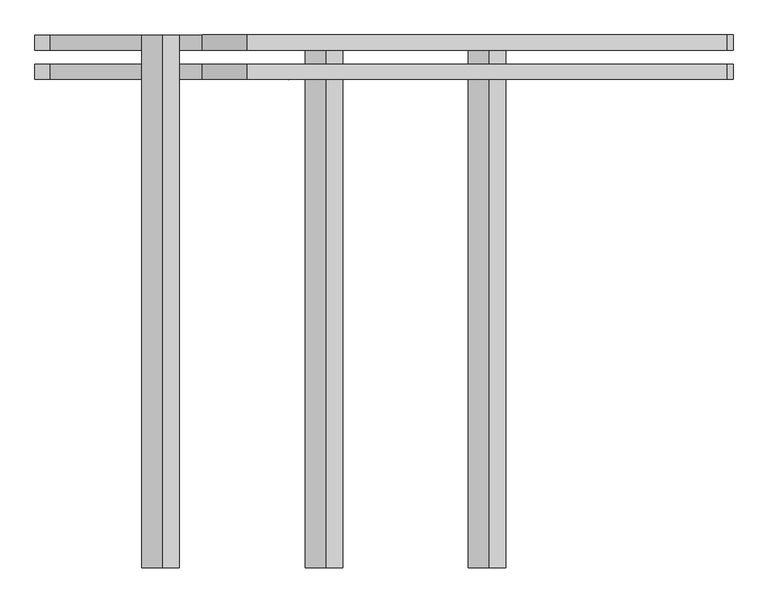
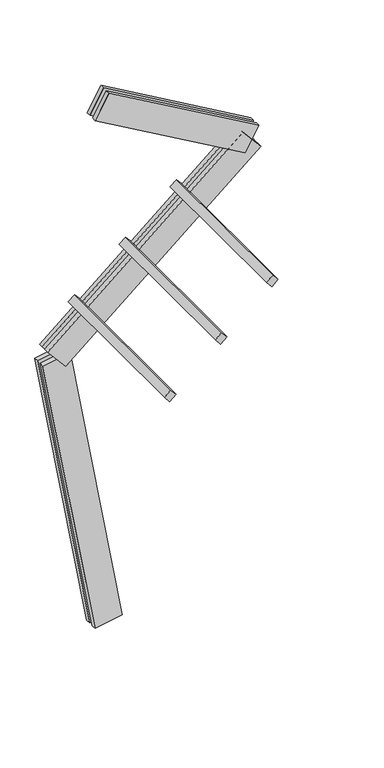
"""IFC4 building model written with IfcOpenShell, lengths in millimetres: proxy geometry."""

import ifcopenshell
import ifcopenshell.guid

model = None  # the IFC model being written
_history = None  # IfcOwnerHistory: only IFC2X3 demands one
_inside = {}  # id of a spatial element -> (the spatial element, [elements in it])
_under = {}  # id of a project, library or spatial element -> (it, [spatial elements below it])
_declared = {}  # id of a project -> (the project, [libraries it declares])
_typed = {}  # id of a type object -> (the type object, [elements of that type])
_made_of = {}  # id of a material, layer set ... -> (it, [elements and type objects made of it])


def new_model(schema):
    """Start an empty IFC model of exactly this schema.

    Asked for "IFC4X3", IfcOpenShell would pick the latest addendum, in which some entities
    have other attributes; the version numbers below select the first issue.
    IFC2X3 requires an IfcOwnerHistory on every rooted entity: one is made here for all.
    """
    global model, _history
    if schema == "IFC4X3":
        model = ifcopenshell.file(schema_version=(4, 3, 0, 0))
    else:
        model = ifcopenshell.file(schema=schema)
    _inside.clear()
    _under.clear()
    _declared.clear()
    _typed.clear()
    _made_of.clear()
    _history = None
    if model.schema == "IFC2X3":
        org = make("IfcOrganization", Name="unknown")
        user = make(
            "IfcPersonAndOrganization",
            ThePerson=make("IfcPerson", FamilyName="unknown"),
            TheOrganization=org,
        )
        app = make(
            "IfcApplication",
            ApplicationDeveloper=org,
            Version="unknown",
            ApplicationFullName="unknown",
            ApplicationIdentifier="unknown",
        )
        _history = make(
            "IfcOwnerHistory",
            OwningUser=user,
            OwningApplication=app,
            ChangeAction="ADDED",
            CreationDate=0,
        )
    return model


def make(cls, **values):
    """One entity of the class cls with the attributes given. An attribute that is None is left unset."""
    return model.create_entity(
        cls, **{name: value for name, value in values.items() if value is not None}
    )


def rooted(cls, **values):
    """An entity with a GlobalId (a new one), such as an element, a storey or a relation."""
    return make(cls, GlobalId=ifcopenshell.guid.new(), OwnerHistory=_history, **values)


def si_unit(unit_type, name, prefix=None):
    """IfcSIUnit, for example si_unit("LENGTHUNIT", "METRE", prefix="MILLI")."""
    return make("IfcSIUnit", UnitType=unit_type, Prefix=prefix, Name=name)


def assignment(units):
    """IfcUnitAssignment: the units of a project."""
    return None if units is None else make("IfcUnitAssignment", Units=units)


def point(xyz):
    """IfcCartesianPoint."""
    return None if xyz is None else make("IfcCartesianPoint", Coordinates=xyz)


def direction(xyz):
    """IfcDirection."""
    return None if xyz is None else make("IfcDirection", DirectionRatios=xyz)


def frame(location, z_axis=None, x_axis=None):
    """IfcAxis2Placement3D, a coordinate frame: its origin and axes. An axis left out is left unset."""
    return make(
        "IfcAxis2Placement3D",
        Location=point(location),
        Axis=direction(z_axis),
        RefDirection=direction(x_axis),
    )


def origin():
    """The frame at (0, 0, 0) with its axes left unset."""
    return frame((0.0, 0.0, 0.0))


def place(relative_to, where):
    """IfcLocalPlacement: puts the frame where relative to a parent placement (None: the world)."""
    return make(
        "IfcLocalPlacement", PlacementRelTo=relative_to, RelativePlacement=where
    )


def context(
    kind, dimensions, precision=None, world=None, true_north=None, identifier=None
):
    """IfcGeometricRepresentationContext, for example the 3D "Model" context."""
    return make(
        "IfcGeometricRepresentationContext",
        ContextIdentifier=identifier,
        ContextType=kind,
        CoordinateSpaceDimension=dimensions,
        Precision=precision,
        WorldCoordinateSystem=world,
        TrueNorth=true_north,
    )


def project(units=None, contexts=None):
    """IfcProject with its units and contexts."""
    return rooted(
        "IfcProject",
        Name="project",
        RepresentationContexts=contexts,
        UnitsInContext=assignment(units),
    )


def spatial(cls, under=None, at=None, **own):
    """A site, building, storey or space (cls), placed at a placement, below another one or the project."""
    s = rooted(cls, ObjectPlacement=at, **own)
    if under is not None:
        _under.setdefault(under.id(), (under, []))[1].append(s)
    return s


def polyline(points):
    """IfcPolyline through the points."""
    return make("IfcPolyline", Points=[point(p) for p in points])


def outline(outer, holes=None, kind="AREA"):
    """IfcArbitraryClosedProfileDef: a profile drawn as a closed curve; with holes, ...WithVoids."""
    if holes is None:
        return make("IfcArbitraryClosedProfileDef", ProfileType=kind, OuterCurve=outer)
    return make(
        "IfcArbitraryProfileDefWithVoids",
        ProfileType=kind,
        OuterCurve=outer,
        InnerCurves=holes,
    )


def extrude(swept, where, along, depth):
    """IfcExtrudedAreaSolid: the profile swept, set in the frame where, extruded along a direction by depth."""
    return make(
        "IfcExtrudedAreaSolid",
        SweptArea=swept,
        Position=where,
        ExtrudedDirection=direction(along),
        Depth=depth,
    )


def shape(context_of_items, identifier, shape_type, items):
    """IfcShapeRepresentation: the items that make up one representation, for example the "Body"."""
    return make(
        "IfcShapeRepresentation",
        ContextOfItems=context_of_items,
        RepresentationIdentifier=identifier,
        RepresentationType=shape_type,
        Items=items,
    )


def source(mapping_origin, context_of_items, identifier, shape_type, items):
    """IfcRepresentationMap: a shape defined once, which mapped items show again and again."""
    return make(
        "IfcRepresentationMap",
        MappingOrigin=mapping_origin,
        MappedRepresentation=shape(context_of_items, identifier, shape_type, items),
    )


def transform(
    local_origin,
    x_axis=None,
    y_axis=None,
    z_axis=None,
    scale=None,
    scale2=None,
    scale3=None,
    uniform=True,
):
    """IfcCartesianTransformationOperator3D, or its non-uniform kind. x_axis, y_axis, z_axis: its Axis1, 2, 3."""
    if uniform:
        return make(
            "IfcCartesianTransformationOperator3D",
            Axis1=direction(x_axis),
            Axis2=direction(y_axis),
            LocalOrigin=point(local_origin),
            Scale=scale,
            Axis3=direction(z_axis),
        )
    return make(
        "IfcCartesianTransformationOperator3DnonUniform",
        Axis1=direction(x_axis),
        Axis2=direction(y_axis),
        LocalOrigin=point(local_origin),
        Scale=scale,
        Axis3=direction(z_axis),
        Scale2=scale2,
        Scale3=scale3,
    )


def mapped(mapping_source, mapping_target):
    """IfcMappedItem: shows the shape of a source again, moved by a transform."""
    return make(
        "IfcMappedItem", MappingSource=mapping_source, MappingTarget=mapping_target
    )


def made_of(thing, what):
    """Note that an element or type object is made of a material, layer set ...; save() writes the relation."""
    if what is not None:
        _made_of.setdefault(what.id(), (what, []))[1].append(thing)
    return thing


def element(
    cls,
    number,
    at=None,
    inside=None,
    cuts=None,
    type_object=None,
    material=None,
    context=None,
    identifier="Body",
    shape_type=None,
    held_by="IfcProductDefinitionShape",
    body=None,
    shapes=None,
    **own,
):
    """One element of the class cls, such as IfcWall. Its Tag is "e" and its number.

    at: its placement. inside: the storey or other place that contains it. cuts: it is an
    opening in that element (IfcRelVoidsElement). A single representation is given by context,
    identifier, shape_type and body (its items); several are given by shapes. held_by: the class
    of the entity that holds the representations. save() writes the other relations.
    """
    e = rooted(cls, Tag="e%d" % number, ObjectPlacement=at, **own)
    if body is not None:
        shapes = [shape(context, identifier, shape_type, body)]
    if shapes is not None:
        e.Representation = make(held_by, Representations=shapes)
    if inside is not None:
        _inside.setdefault(inside.id(), (inside, []))[1].append(e)
    if cuts is not None:
        rooted(
            "IfcRelVoidsElement", RelatingBuildingElement=cuts, RelatedOpeningElement=e
        )
    if type_object is not None:
        _typed.setdefault(type_object.id(), (type_object, []))[1].append(e)
    return made_of(e, material)


def aggregate(whole, parts):
    """IfcRelAggregates: a whole, such as a stair, and the parts it consists of."""
    return rooted("IfcRelAggregates", RelatingObject=whole, RelatedObjects=parts)


def save(model, path):
    """Write the relations noted so far, then the file.

    IfcRelAggregates (storeys below a building ...), IfcRelContainedInSpatialStructure (elements
    in a storey), IfcRelDefinesByType, IfcRelAssociatesMaterial and IfcRelDeclares: one each for
    every whole, place, type object, material and project.
    """
    for whole, parts in _under.values():
        aggregate(whole, parts)
    for where, things in _inside.values():
        rooted(
            "IfcRelContainedInSpatialStructure",
            RelatedElements=things,
            RelatingStructure=where,
        )
    for kind, things in _typed.values():
        rooted("IfcRelDefinesByType", RelatedObjects=things, RelatingType=kind)
    for what, things in _made_of.values():
        rooted("IfcRelAssociatesMaterial", RelatedObjects=things, RelatingMaterial=what)
    for by, libraries in _declared.values():
        rooted("IfcRelDeclares", RelatingContext=by, RelatedDefinitions=libraries)
    model.write(path)


def generic_models_e61b9760(model_context):
    return source(origin(), model_context, "Body", "SweptSolid", [
        extrude(outline(polyline([(1500.0, 0.0), (1500.0, -75.0), (0.0, -75.0), (0.0, 0.0), (1500.0, 0.0)])), frame((-185.3274204, 62.5, 3060.0606031), z_axis=(-0.642787609686539, 0.0, 0.7660444431189782), x_axis=(0.0, -1.0, 0.0)), (0.0, 0.0, 1.0), 75.0),
        extrude(outline(polyline([(1500.0, 0.0), (1500.0, -75.0), (0.0, -75.0), (0.0, 0.0), (1500.0, 0.0)])), frame((274.2992454, 62.5, 3445.7331689), z_axis=(-0.642787609686539, 0.0, 0.7660444431189782), x_axis=(0.0, -1.0, 0.0)), (0.0, 0.0, 1.0), 75.0),
        extrude(outline(polyline([(1500.0, 0.0), (1500.0, -75.0), (0.0, -75.0), (0.0, 0.0), (1500.0, 0.0)])), frame((733.9259113, 62.5, 3831.4057347), z_axis=(-0.642787609686539, 0.0, 0.7660444431189782), x_axis=(0.0, -1.0, 0.0)), (0.0, 0.0, 1.0), 75.0),
        extrude(outline(polyline([(1560.0, -125.0), (0.0, -125.0), (0.0, -82.5), (1560.0, -82.5), (1560.0, -125.0)])), frame((1230.5521395, -62.5, 4029.1392599), z_axis=(0.5000000000000021, 0.0, 0.8660254037844375), x_axis=(-0.8660254037844375, 0.0, 0.5000000000000021)), (0.0, 0.0, 1.0), 250.0),
        extrude(outline(polyline([(0.0, 0.0), (1560.0, 0.0), (1560.0, -42.5), (0.0, -42.5), (0.0, 0.0)])), frame((1230.5521395, -62.5, 4029.1392599), z_axis=(0.5000000000000021, 0.0, 0.8660254037844375), x_axis=(-0.8660254037844375, 0.0, 0.5000000000000021)), (0.0, 0.0, 1.0), 250.0),
        extrude(outline(polyline([(2300.0, -125.0), (0.0, -125.0), (0.0, -82.5), (2300.0, -82.5), (2300.0, -125.0)])), frame((1373.4005907, -62.5, 4041.63688), z_axis=(-0.642787609686539, 0.0, 0.7660444431189782), x_axis=(-0.7660444431189782, 0.0, -0.642787609686539)), (0.0, 0.0, 1.0), 250.0),
        extrude(outline(polyline([(0.0, 0.0), (2300.0, 0.0), (2300.0, -42.5), (0.0, -42.5), (0.0, 0.0)])), frame((1373.4005907, -62.5, 4041.63688), z_axis=(-0.642787609686539, 0.0, 0.7660444431189782), x_axis=(-0.7660444431189782, 0.0, -0.642787609686539)), (0.0, 0.0, 1.0), 250.0),
        extrude(outline(polyline([(-125.0, -249.9999999), (-125.0, 0.0), (-82.5, 0.0), (-82.5, -249.9999999), (-125.0, -249.9999999)])), frame((123.1009691, -62.5, 21.7060222), z_axis=(-0.17364817766693158, 0.0, 0.9848077530122079), x_axis=(0.0, -1.0, 0.0)), (0.0, 0.0, 1.0), 2700.0),
        extrude(outline(polyline([(0.0, 0.0), (0.0, -249.9999999), (-42.5, -249.9999999), (-42.5, 0.0), (0.0, 0.0)])), frame((123.1009691, -62.5, 21.7060222), z_axis=(-0.17364817766693158, 0.0, 0.9848077530122079), x_axis=(0.0, -1.0, 0.0)), (0.0, 0.0, 1.0), 2700.0),
    ])


if __name__ == "__main__":
    model = new_model("IFC4")
    model_context = context("Model", 3, world=origin())
    ifc_project = project(units=[si_unit("LENGTHUNIT", "METRE", prefix="MILLI")], contexts=[model_context])
    site = spatial("IfcSite", under=ifc_project)
    building = spatial("IfcBuilding", under=site)
    placement = place(None, origin())
    generic_models_shape = generic_models_e61b9760(model_context)
    element("IfcBuildingElementProxy", 1, Name="Generic Models", at=placement, inside=building, context=model_context, shape_type="MappedRepresentation", body=[
        mapped(generic_models_shape, transform((0.0, 0.0, 0.0), x_axis=(1.0, 0.0, 0.0), y_axis=(0.0, 1.0, 0.0), z_axis=(0.0, 0.0, 1.0))),
    ])
    save(model, "model.ifc")
